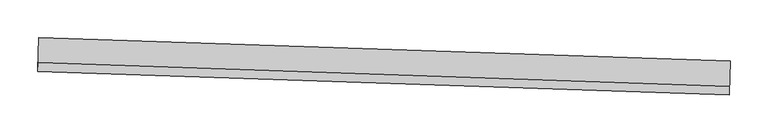
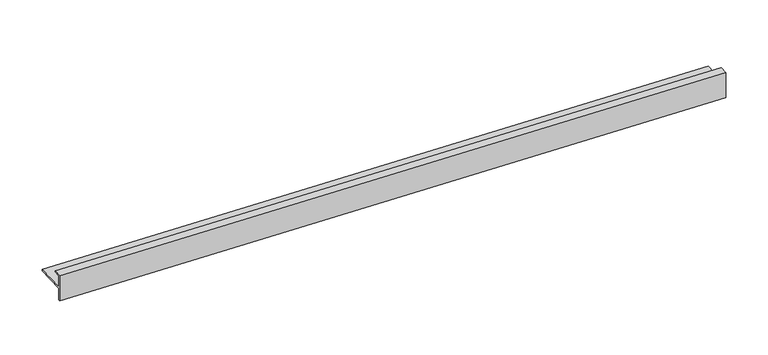
"""IFC4 building model written with IfcOpenShell, lengths in millimetres: proxy geometry."""

from ifc_helpers import new_model, si_unit, frame, origin, place, context, project, spatial, polyline, outline, extrude, source, transform, mapped, element, save


def generic_models_1db5e537(model_context):
    return source(origin(), model_context, "Body", "SweptSolid", [
        extrude(outline(polyline([(0.0, 0.0), (36.8805594, 0.0), (36.8805594, -2.2857547), (20.2032517, -2.2857547), (20.2032517, -44.9806366), (17.915965, -44.9806366), (17.915965, -2.2871275), (1.60112, -2.2871275), (1.60112, -11.8171308), (0.0, -11.8171308), (0.0, 0.0)])), frame((34354.0043341, -15487.1620085, 1140.7759401), z_axis=(-0.9994149478931883, 0.03420178252161265, 0.0), x_axis=(0.0, 0.0, -1.0)), (0.0, 0.0, 1.0), 914.4),
    ])


if __name__ == "__main__":
    model = new_model("IFC4")
    model_context = context("Model", 3, world=origin())
    ifc_project = project(units=[si_unit("LENGTHUNIT", "METRE", prefix="MILLI")], contexts=[model_context])
    site = spatial("IfcSite", under=ifc_project)
    building = spatial("IfcBuilding", under=site)
    placement = place(None, origin())
    generic_models_shape = generic_models_1db5e537(model_context)
    element("IfcBuildingElementProxy", 1, Name="Generic Models", at=placement, inside=building, context=model_context, shape_type="MappedRepresentation", body=[
        mapped(generic_models_shape, transform((0.0, 0.0, 0.0), x_axis=(1.0, 0.0, 0.0), y_axis=(0.0, 1.0, 0.0), z_axis=(0.0, 0.0, 1.0))),
    ])
    save(model, "model.ifc")
